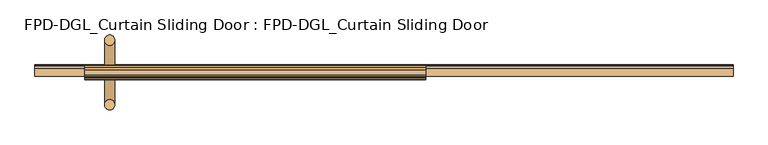
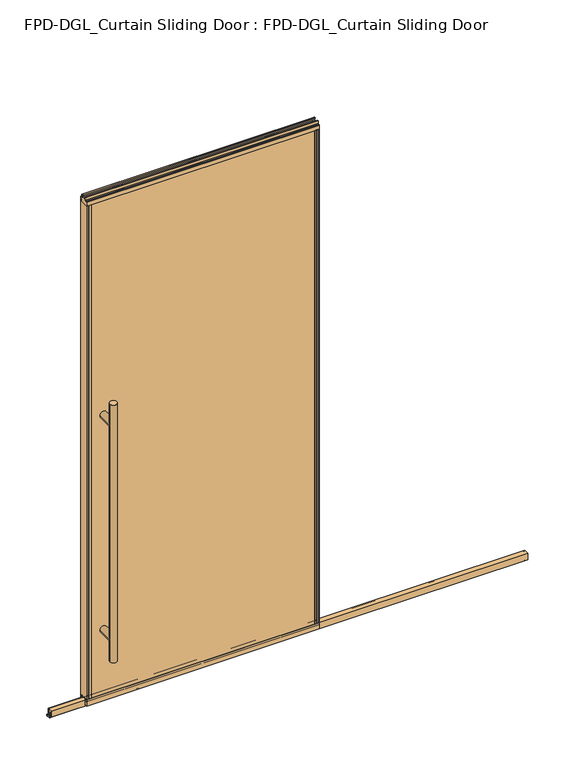
"""IFC4 building model written with IfcOpenShell, lengths in millimetres: door geometry, FPD-DGL_Curtain Sliding Door : FPD-DGL_Curtain Sliding Door."""

from ifc_helpers import new_model, si_unit, point, frame, frame_2d, origin, place, context, project, spatial, polyline, circle_curve, ellipse_curve, trimmed, segment, composite_curve, outline, extrude, source, transform, mapped, element, save
from ifc_brep_helpers import plane_surface, cylinder_surface, advanced_brep


def fpd_dgl_curtain_sliding_door_fpd_dgl_curtain_sliding_door_fe0eee94(model_context):
    return source(origin(), model_context, "Body", "SolidModel", [
        advanced_brep(
        [(-428.625, 35.128049, 1473.2), (-460.375, 35.128049, 1473.2), (-428.625, -162.0969566, 1473.2), (-460.375, -162.0969566, 1473.2), (-428.625, 35.128049, 254.0), (-460.375, 35.128049, 254.0), (-428.625, -162.0969566, 254.0), (-460.375, -162.0969566, 254.0), (-428.625, 35.128049, 355.6), (-460.375, 35.128049, 355.6), (-428.625, 35.128049, 1371.6), (-460.375, 35.128049, 1371.6), (-460.375, -162.0969566, 1371.6), (-460.375, -162.0969566, 355.6), (-428.625, -162.0969566, 355.6), (-428.625, -162.0969566, 1371.6)],
        [
            (0, 1, circle_curve(frame((-444.5, 35.128049, 1473.2), z_axis=(0.0, 0.0, 1.0), x_axis=(-1.0, 0.0, 0.0)), 15.875)),
            (1, 0, circle_curve(frame((-444.5, 35.128049, 1473.2), z_axis=(0.0, 0.0, 1.0), x_axis=(-1.0, 0.0, 0.0)), 15.875)),
            (2, 3, circle_curve(frame((-444.5, -162.0969566, 1473.2), z_axis=(0.0, 0.0, 1.0), x_axis=(-1.0, 0.0, 0.0)), 15.875)),
            (3, 2, circle_curve(frame((-444.5, -162.0969566, 1473.2), z_axis=(0.0, 0.0, 1.0), x_axis=(-1.0, 0.0, 0.0)), 15.875)),
            (4, 5, circle_curve(frame((-444.5, 35.128049, 254.0), z_axis=(0.0, 0.0, -1.0), x_axis=(-1.0, 0.0, 0.0)), 15.875)),
            (5, 4, circle_curve(frame((-444.5, 35.128049, 254.0), z_axis=(0.0, 0.0, -1.0), x_axis=(-1.0, 0.0, 0.0)), 15.875)),
            (6, 7, circle_curve(frame((-444.5, -162.0969566, 254.0), z_axis=(0.0, 0.0, -1.0), x_axis=(-1.0, 0.0, 0.0)), 15.875)),
            (7, 6, circle_curve(frame((-444.5, -162.0969566, 254.0), z_axis=(0.0, 0.0, -1.0), x_axis=(-1.0, 0.0, 0.0)), 15.875)),
            (4, 8),
            (8, 9, ellipse_curve(frame((-444.5, 35.128049, 355.6), z_axis=(0.0, 0.7071067811865525, -0.7071067811865427), x_axis=(0.0, 0.7071067811865427, 0.7071067811865523)), 22.4506403, 15.875)),
            (9, 5),
            (10, 11, ellipse_curve(frame((-444.5, 35.128049, 1371.6), z_axis=(0.0, 0.7071067811865427, -0.7071067811865525), x_axis=(0.0, 0.7071067811865525, 0.7071067811865425)), 22.4506403, 15.875)),
            (11, 9),
            (9, 8, ellipse_curve(frame((-444.5, 35.128049, 355.6), z_axis=(0.0, 0.7071067811865427, 0.7071067811865525), x_axis=(0.0, -0.7071067811865525, 0.7071067811865425)), 22.4506403, 15.875)),
            (8, 10),
            (1, 11),
            (11, 10, ellipse_curve(frame((-444.5, 35.128049, 1371.6), z_axis=(0.0, 0.7071067811865525, 0.7071067811865427), x_axis=(0.0, -0.7071067811865427, 0.7071067811865523)), 22.4506403, 15.875)),
            (10, 0),
            (3, 12),
            (12, 13),
            (13, 7),
            (6, 14),
            (14, 15),
            (15, 2),
            (15, 12, ellipse_curve(frame((-444.5, -162.0969566, 1371.6), z_axis=(0.0, -0.7071067811865427, 0.7071067811865525), x_axis=(0.0, 0.7071067811865525, 0.7071067811865425)), 22.4506403, 15.875)),
            (13, 14, ellipse_curve(frame((-444.5, -162.0969566, 355.6), z_axis=(0.0, -0.7071067811865427, -0.7071067811865525), x_axis=(0.0, -0.7071067811865525, 0.7071067811865425)), 22.4506403, 15.875)),
            (14, 13, ellipse_curve(frame((-444.5, -162.0969566, 355.6), z_axis=(0.0, -0.7071067811865525, 0.7071067811865427), x_axis=(0.0, 0.7071067811865427, 0.7071067811865523)), 22.4506403, 15.875)),
            (12, 15, ellipse_curve(frame((-444.5, -162.0969566, 1371.6), z_axis=(0.0, -0.7071067811865525, -0.7071067811865427), x_axis=(0.0, -0.7071067811865427, 0.7071067811865523)), 22.4506403, 15.875)),
            (10, 15),
            (12, 11),
            (8, 14),
            (13, 9),
        ],
        [
            plane_surface(frame((-345.3925993, -63.5, 1473.2), z_axis=(0.0, 0.0, 1.0), x_axis=(0.0, 1.0, 0.0))),
            plane_surface(frame((-345.3925993, -63.5, 254.0), z_axis=(0.0, 0.0, -1.0), x_axis=(0.0, 1.0, 0.0))),
            cylinder_surface(frame((-444.5, 35.128049, 1473.2), z_axis=(0.0, 0.0, 1.0), x_axis=(-1.0, 0.0, 0.0)), 15.875),
            cylinder_surface(frame((-444.5, -162.0969566, 1473.2), z_axis=(0.0, 0.0, 1.0), x_axis=(-1.0, 0.0, 0.0)), 15.875),
            cylinder_surface(frame((-444.5, -162.0969566, 1371.6), z_axis=(0.0, 1.0, 0.0), x_axis=(1.0, 0.0, 0.0)), 15.875),
            cylinder_surface(frame((-444.5, -63.5, 355.6), z_axis=(0.0, 1.0, 0.0), x_axis=(1.0, 0.0, 0.0)), 15.875),
        ],
        [
            (0, [[1, 2]]),
            (0, [[3, 4]]),
            (1, [[5, 6]]),
            (1, [[7, 8]]),
            (2, [[9, 10, 11, -5]]),
            (2, [[12, 13, 14, 15]]),
            (2, [[16, 17, 18, -2]]),
            (2, [[-18, -15, -9, -6, -11, -13, -16, -1]]),
            (3, [[19, 20, 21, -7, 22, 23, 24, -4]]),
            (3, [[-24, 25, -19, -3]]),
            (3, [[-21, 26, -22, -8]]),
            (3, [[27, -20, 28, -23]]),
            (4, [[-12, 29, -28, 30]]),
            (4, [[-25, -29, -17, -30]]),
            (5, [[-10, 31, -26, 32]]),
            (5, [[-27, -31, -14, -32]]),
        ],
    ),
        extrude(outline(composite_curve([segment(polyline([(-59.6869794, 1.1714386), (-59.6869794, 4.0416386)]), True, "CONTINUOUS"), segment(trimmed(circle_curve(frame_2d((-58.5185794, 4.0416386)), 1.1684), [point((-59.6869794, 4.0416386))], [point((-58.9336188, 5.1338386))], False, "CARTESIAN"), True, "CONTINUOUS"), segment(polyline([(-58.9336188, 5.1338386), (-56.2262294, 5.1338386), (-56.2262294, 4.3138948), (-58.9122794, 4.3138948), (-58.9122794, 0.7650387), (-40.4337797, 0.7650387), (-40.4337797, 4.4232339), (-43.4288569, 4.4232339), (-43.4288569, 5.2100386), (-40.8401797, 5.2100386)]), True, "CONTINUOUS"), segment(trimmed(circle_curve(frame_2d((-40.8401797, 4.0416386)), 1.1684), [point((-40.8401797, 5.2100386))], [point((-39.6717797, 4.0416386))], False, "CARTESIAN"), True, "CONTINUOUS"), segment(polyline([(-39.6717797, 4.0416386), (-39.6717797, 1.1714386)]), True, "CONTINUOUS"), segment(trimmed(circle_curve(frame_2d((-40.8401797, 1.1714386)), 1.1684), [point((-39.6717797, 1.1714386))], [point((-40.8401797, 0.0030387))], False, "CARTESIAN"), True, "CONTINUOUS"), segment(polyline([(-40.8401797, 0.0030387), (-58.5185794, 0.0030387)]), True, "CONTINUOUS"), segment(trimmed(circle_curve(frame_2d((-58.5185794, 1.1714386)), 1.1684), [point((-58.5185794, 0.0030387))], [point((-59.6869794, 1.1714386))], False, "CARTESIAN"), True, "CONTINUOUS")], self_intersect=False)), frame((-673.1, 0.0, 0.0), z_axis=(1.0, 0.0, 0.0), x_axis=(0.0, 1.0, 0.0)), (0.0, 0.0, 1.0), 2133.6),
        extrude(outline(composite_curve([segment(polyline([(-74.4646139, 41.6030387), (-52.5646141, 41.6030387), (-52.5646141, 11.6839647), (-54.064702, 11.6839647), (-54.064702, 39.1709995)]), True, "CONTINUOUS"), segment(trimmed(circle_curve(frame_2d((-54.9969627, 39.1709995)), 0.9322606), [point((-54.064702, 39.1709995))], [point((-54.9969627, 40.1032601))], True, "CARTESIAN"), True, "CONTINUOUS"), segment(polyline([(-54.9969627, 40.1032601), (-60.0857402, 40.1032601)]), True, "CONTINUOUS"), segment(trimmed(circle_curve(frame_2d((-60.0857402, 39.1243868)), 0.9788733), [point((-60.0857402, 40.1032601))], [point((-61.0646135, 39.1243868))], True, "CARTESIAN"), True, "CONTINUOUS"), segment(polyline([(-61.0646135, 39.1243868), (-61.0646135, 11.6839647), (-62.6646138, 11.6839647), (-62.6646138, 33.5017657), (-64.0544462, 33.5017657), (-64.0544462, 34.3040626), (-62.6646138, 34.3040626), (-62.6646138, 35.6040627), (-73.4646139, 35.6040627), (-73.4646139, 34.3040626), (-72.0747815, 34.3040626), (-72.0747815, 33.5017657), (-73.4646139, 33.5017657), (-73.4646139, 11.6839647), (-74.4646139, 11.6839647), (-74.4646139, 41.6030387)]), True, "CONTINUOUS")], self_intersect=False)), frame((-673.1, 0.0, 0.0), z_axis=(1.0, 0.0, 0.0), x_axis=(0.0, 1.0, 0.0)), (0.0, 0.0, 1.0), 2133.6),
        extrude(outline(composite_curve([segment(polyline([(-49.1758097, 48.6471016), (-49.1758097, 47.6299627), (-50.5428229, 47.6299627), (-50.5428229, 41.3613764)]), True, "CONTINUOUS"), segment(trimmed(circle_curve(frame_2d((-48.227348, 41.3613764)), 2.3154748), [point((-50.5428229, 41.3613764))], [point((-48.227348, 39.0459016))], True, "CARTESIAN"), True, "CONTINUOUS"), segment(polyline([(-48.227348, 39.0459016), (-43.2396246, 39.0522555)]), True, "CONTINUOUS"), segment(trimmed(circle_curve(frame_2d((-43.337823, 39.8079016)), 0.762), [point((-43.2396246, 39.0522555))], [point((-42.575823, 39.8079016))], True, "CARTESIAN"), True, "CONTINUOUS"), segment(polyline([(-42.575823, 39.8079016), (-42.575823, 48.6471016), (-41.2758255, 48.6471016), (-41.2758255, 19.0059017), (-50.3972378, 19.0059017), (-50.3972378, 15.875), (-52.3015279, 15.875), (-52.3015279, 47.0470737), (-74.6984721, 47.0470737), (-74.6984721, 15.875), (-76.6027622, 15.875), (-76.6027622, 19.0059017), (-85.7241745, 19.0059017), (-85.7241745, 48.6471016), (-84.424177, 48.6471016), (-84.424177, 39.8079016)]), True, "CONTINUOUS"), segment(trimmed(circle_curve(frame_2d((-83.662177, 39.8079016)), 0.762), [point((-84.424177, 39.8079016))], [point((-83.7603754, 39.0522555))], True, "CARTESIAN"), True, "CONTINUOUS"), segment(polyline([(-83.7603754, 39.0522555), (-78.772652, 39.0459016)]), True, "CONTINUOUS"), segment(trimmed(circle_curve(frame_2d((-78.772652, 41.3613764)), 2.3154748), [point((-78.772652, 39.0459016))], [point((-76.4571771, 41.3613764))], True, "CARTESIAN"), True, "CONTINUOUS"), segment(polyline([(-76.4571771, 41.3613764), (-76.4571771, 47.6299627), (-77.8241903, 47.6299627), (-77.8241903, 48.6471016), (-49.1758097, 48.6471016)]), True, "CONTINUOUS")], self_intersect=False)), frame((-520.7, 0.0, 0.0), z_axis=(1.0, 0.0, 0.0), x_axis=(0.0, 1.0, 0.0)), (0.0, 0.0, 1.0), 1041.4),
        extrude(outline(composite_curve([segment(polyline([(-55.1000175, 2419.5752356), (-50.0953412, 2419.5752356)]), True, "CONTINUOUS"), segment(trimmed(circle_curve(frame_2d((-50.0953412, 2418.9799231)), 0.5953125), [point((-50.0953412, 2419.5752356))], [point((-49.5000287, 2418.9799231))], False, "CARTESIAN"), True, "CONTINUOUS"), segment(polyline([(-49.5000287, 2418.9799231), (-49.5000287, 2407.6119216)]), True, "CONTINUOUS"), segment(trimmed(circle_curve(frame_2d((-47.5809248, 2407.6119216)), 1.919104), [point((-49.5000287, 2407.6119216))], [point((-47.5809248, 2405.6928176))], True, "CARTESIAN"), True, "CONTINUOUS"), segment(polyline([(-47.5809248, 2405.6928176), (-42.0750432, 2405.6928176)]), True, "CONTINUOUS"), segment(trimmed(circle_curve(frame_2d((-42.0750432, 2404.8928191)), 0.7999985), [point((-42.0750432, 2405.6928176))], [point((-41.2750446, 2404.8928191))], False, "CARTESIAN"), True, "CONTINUOUS"), segment(polyline([(-41.2750446, 2404.8928191), (-41.2750446, 2386.0078176), (-42.5750423, 2386.0078176), (-42.5750423, 2396.1077976)]), True, "CONTINUOUS"), segment(trimmed(circle_curve(frame_2d((-43.0750413, 2396.1077976)), 0.499999), [point((-42.5750423, 2396.1077976))], [point((-43.0750413, 2396.6077966))], True, "CARTESIAN"), True, "CONTINUOUS"), segment(polyline([(-43.0750413, 2396.6077966), (-49.1750289, 2396.6077966), (-49.1750289, 2386.0078176), (-77.8249714, 2386.0078176), (-77.8249714, 2396.6077966), (-83.9249587, 2396.6077966)]), True, "CONTINUOUS"), segment(trimmed(circle_curve(frame_2d((-83.9249587, 2396.1077976)), 0.499999), [point((-83.9249587, 2396.6077966))], [point((-84.4249577, 2396.1077976))], True, "CARTESIAN"), True, "CONTINUOUS"), segment(polyline([(-84.4249577, 2396.1077976), (-84.4249577, 2386.0078176), (-85.7249551, 2386.0078176), (-85.7249551, 2404.8928191)]), True, "CONTINUOUS"), segment(trimmed(circle_curve(frame_2d((-84.9249567, 2404.8928191)), 0.7999984), [point((-85.7249551, 2404.8928191))], [point((-84.9249567, 2405.6928175))], False, "CARTESIAN"), True, "CONTINUOUS"), segment(polyline([(-84.9249567, 2405.6928175), (-79.4190752, 2405.6928175)]), True, "CONTINUOUS"), segment(trimmed(circle_curve(frame_2d((-79.4190752, 2407.6119214)), 1.919104), [point((-79.4190752, 2405.6928175))], [point((-77.4999713, 2407.6119214))], True, "CARTESIAN"), True, "CONTINUOUS"), segment(polyline([(-77.4999713, 2407.6119214), (-77.4999713, 2418.9799231)]), True, "CONTINUOUS"), segment(trimmed(circle_curve(frame_2d((-76.9046588, 2418.9799231)), 0.5953125), [point((-77.4999713, 2418.9799231))], [point((-76.9046588, 2419.5752356))], False, "CARTESIAN"), True, "CONTINUOUS"), segment(polyline([(-76.9046588, 2419.5752356), (-71.8999825, 2419.5752356), (-71.8999825, 2417.5752396), (-75.4999752, 2417.5752396), (-75.4999752, 2409.0752566)]), True, "CONTINUOUS"), segment(trimmed(circle_curve(frame_2d((-74.9999762, 2409.0752566)), 0.499999), [point((-75.4999752, 2409.0752566))], [point((-74.9999762, 2408.5752576))], True, "CARTESIAN"), True, "CONTINUOUS"), segment(polyline([(-74.9999762, 2408.5752576), (-52.0000238, 2408.5752576)]), True, "CONTINUOUS"), segment(trimmed(circle_curve(frame_2d((-52.0000238, 2409.0752566)), 0.499999), [point((-52.0000238, 2408.5752576))], [point((-51.5000248, 2409.0752566))], True, "CARTESIAN"), True, "CONTINUOUS"), segment(polyline([(-51.5000248, 2409.0752566), (-51.5000248, 2417.5752396), (-55.1000175, 2417.5752396), (-55.1000175, 2419.5752356)]), True, "CONTINUOUS")], self_intersect=False)), frame((-520.7, 0.0, 0.0), z_axis=(1.0, 0.0, 0.0), x_axis=(0.0, 1.0, 0.0)), (0.0, 0.0, 1.0), 1041.4),
        extrude(outline(polyline([(510.7631511, -84.4265993), (-510.7631511, -84.4265993), (-510.7631511, -77.825), (510.7631511, -77.825), (510.7631511, -84.4265993)])), frame((0.0, 0.0, 39.1580021), z_axis=(0.0, 0.0, 1.0), x_axis=(1.0, 0.0, 0.0)), (0.0, 0.0, 1.0), 2357.1832522),
        extrude(outline(polyline([(-510.7631511, -49.175), (-510.7631511, -42.5734007), (510.7631511, -42.5734007), (510.7631511, -49.175), (-510.7631511, -49.175)])), frame((0.0, 0.0, 39.1580021), z_axis=(0.0, 0.0, 1.0), x_axis=(1.0, 0.0, 0.0)), (0.0, 0.0, 1.0), 2357.1832522),
        extrude(outline(composite_curve([segment(polyline([(-520.7, -85.725), (-520.7, -41.275), (-500.1631511, -41.275), (-500.1631511, -42.5734), (-510.2339574, -42.5734)]), True, "CONTINUOUS"), segment(trimmed(circle_curve(frame_2d((-510.2339574, -43.1025937)), 0.5291937), [point((-510.2339574, -42.5734))], [point((-510.7631511, -43.1025937))], True, "CARTESIAN"), True, "CONTINUOUS"), segment(polyline([(-510.7631511, -43.1025937), (-510.7631511, -45.0596), (-511.9631509, -45.0596), (-511.9631509, -42.5798), (-518.8965999, -42.5798), (-518.8965999, -54.254802), (-511.9631509, -54.254802), (-511.9631509, -49.175), (-500.1631511, -49.175), (-500.1631511, -77.825), (-511.9631509, -77.825), (-511.9631509, -72.745198), (-518.8965999, -72.745198), (-518.8965999, -84.4202), (-511.9631509, -84.4202), (-511.9631509, -81.9404), (-510.7631511, -81.9404), (-510.7631511, -83.9185993)]), True, "CONTINUOUS"), segment(trimmed(circle_curve(frame_2d((-510.2551511, -83.9185993)), 0.508), [point((-510.7631511, -83.9185993))], [point((-510.2551511, -84.4265993))], True, "CARTESIAN"), True, "CONTINUOUS"), segment(polyline([(-510.2551511, -84.4265993), (-500.1631511, -84.4265993), (-500.1631511, -85.725), (-520.7, -85.725)]), True, "CONTINUOUS")], self_intersect=False)), frame((0.0, 0.0, 48.6471016), z_axis=(0.0, 0.0, 1.0), x_axis=(1.0, 0.0, 0.0)), (0.0, 0.0, 1.0), 2337.360716),
        extrude(outline(composite_curve([segment(polyline([(520.7, -85.725), (500.1631511, -85.725), (500.1631511, -84.4265993), (510.2551511, -84.4265993)]), True, "CONTINUOUS"), segment(trimmed(circle_curve(frame_2d((510.2551511, -83.9185993)), 0.508), [point((510.2551511, -84.4265993))], [point((510.7631511, -83.9185993))], True, "CARTESIAN"), True, "CONTINUOUS"), segment(polyline([(510.7631511, -83.9185993), (510.7631511, -81.9404), (511.9631509, -81.9404), (511.9631509, -84.4202), (518.8965999, -84.4202), (518.8965999, -72.745198), (511.9631509, -72.745198), (511.9631509, -77.825), (500.1631511, -77.825), (500.1631511, -49.175), (511.9631509, -49.175), (511.9631509, -54.254802), (518.8965999, -54.254802), (518.8965999, -42.5798), (511.9631509, -42.5798), (511.9631509, -45.0596), (510.7631511, -45.0596), (510.7631511, -43.1025937)]), True, "CONTINUOUS"), segment(trimmed(circle_curve(frame_2d((510.2339574, -43.1025937)), 0.5291937), [point((510.7631511, -43.1025937))], [point((510.2339574, -42.5734))], True, "CARTESIAN"), True, "CONTINUOUS"), segment(polyline([(510.2339574, -42.5734), (500.163151, -42.5734), (500.163151, -41.275), (520.7, -41.275), (520.7, -85.725)]), True, "CONTINUOUS")], self_intersect=False)), frame((0.0, 0.0, 48.6471016), z_axis=(0.0, 0.0, 1.0), x_axis=(1.0, 0.0, 0.0)), (0.0, 0.0, 1.0), 2337.360716),
    ])


if __name__ == "__main__":
    model = new_model("IFC4")
    model_context = context("Model", 3, world=origin())
    ifc_project = project(units=[si_unit("LENGTHUNIT", "METRE", prefix="MILLI")], contexts=[model_context])
    site = spatial("IfcSite", under=ifc_project)
    building = spatial("IfcBuilding", under=site)
    placement = place(None, origin())
    fpd_dgl_curtain_sliding_door_fpd_dgl_curtain_sliding_door_shape = fpd_dgl_curtain_sliding_door_fpd_dgl_curtain_sliding_door_fe0eee94(model_context)
    element("IfcDoor", 1, ObjectType="FPD-DGL_Curtain Sliding Door : FPD-DGL_Curtain Sliding Door", at=placement, inside=building, context=model_context, shape_type="MappedRepresentation", body=[
        mapped(fpd_dgl_curtain_sliding_door_fpd_dgl_curtain_sliding_door_shape, transform((0.0, 0.0, 0.0), x_axis=(1.0, 0.0, 0.0), y_axis=(0.0, 1.0, 0.0), z_axis=(0.0, 0.0, 1.0))),
    ])
    save(model, "model.ifc")
